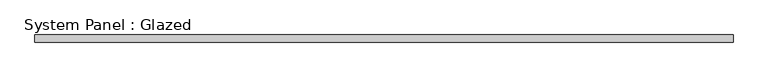
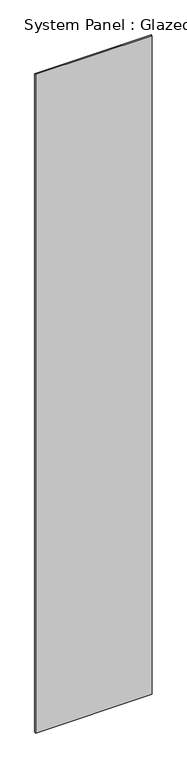
"""IFC4 building model written with IfcOpenShell, lengths in millimetres: plate geometry, System Panel : Glazed."""

from ifc_helpers import new_model, si_unit, origin, origin_with_axes, place, context, project, spatial, polyline, outline, extrude, source, transform, mapped, element, save


def system_panel_glazed_36895e24(model_context):
    return source(origin(), model_context, "Body", "SweptSolid", [
        extrude(outline(polyline([(1175.0, -77.5), (-1175.0, -77.5), (-1175.0, -52.5), (1175.0, -52.5), (1175.0, -77.5)])), origin_with_axes(), (0.0, 0.0, 1.0), 14020.0),
    ])


if __name__ == "__main__":
    model = new_model("IFC4")
    model_context = context("Model", 3, world=origin())
    ifc_project = project(units=[si_unit("LENGTHUNIT", "METRE", prefix="MILLI")], contexts=[model_context])
    site = spatial("IfcSite", under=ifc_project)
    building = spatial("IfcBuilding", under=site)
    placement = place(None, origin())
    system_panel_glazed_shape = system_panel_glazed_36895e24(model_context)
    element("IfcPlate", 1, ObjectType="System Panel : Glazed", at=placement, inside=building, context=model_context, shape_type="MappedRepresentation", body=[
        mapped(system_panel_glazed_shape, transform((0.0, 0.0, 0.0), x_axis=(1.0, 0.0, 0.0), y_axis=(0.0, 1.0, 0.0), z_axis=(0.0, 0.0, 1.0))),
    ])
    save(model, "model.ifc")
